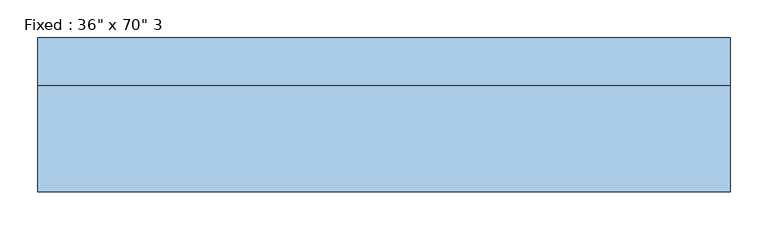
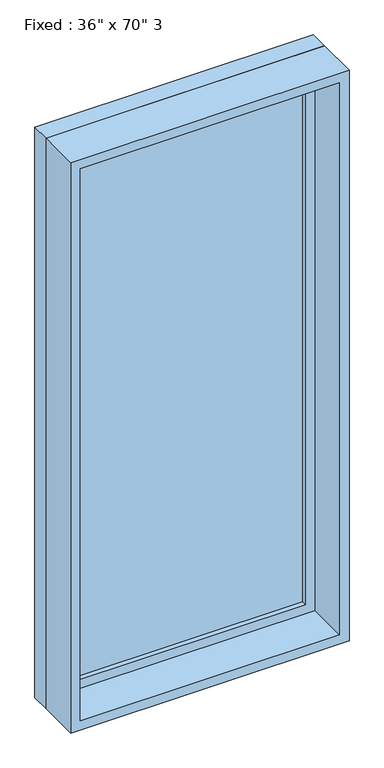
"""IFC4 building model written with IfcOpenShell, lengths in millimetres: window geometry."""

from ifc_helpers import new_model, si_unit, frame, origin, place, context, project, spatial, polyline, outline, extrude, source, transform, mapped, element, save


def window_b1f9900c(model_context):
    return source(origin(), model_context, "Body", "SweptSolid", [
        extrude(outline(polyline([(355.6, 53.975), (-431.8, 53.975), (-431.8, 66.675), (355.6, 66.675), (355.6, 53.975)])), frame((0.0, 0.0, 368.3), z_axis=(0.0, 0.0, 1.0), x_axis=(1.0, 0.0, 0.0)), (0.0, 0.0, 1.0), 1854.2),
        extrude(outline(polyline([(2266.95, -476.25), (323.85, -476.25), (323.85, 400.05), (2266.95, 400.05), (2266.95, -476.25)]), holes=[polyline([(2222.5, -431.8), (2222.5, 355.6), (368.3, 355.6), (368.3, -431.8), (2222.5, -431.8)])]), frame((0.0, 38.1, 0.0), z_axis=(0.0, 1.0, 0.0), x_axis=(0.0, 0.0, 1.0)), (0.0, 0.0, 1.0), 44.45),
        extrude(outline(polyline([(2286.0, -495.3), (304.8, -495.3), (304.8, 419.1), (2286.0, 419.1), (2286.0, -495.3)]), holes=[polyline([(2254.25, -463.55), (2254.25, 387.35), (336.55, 387.35), (336.55, -463.55), (2254.25, -463.55)])]), frame((0.0, -101.6, 0.0), z_axis=(0.0, 1.0, 0.0), x_axis=(0.0, 0.0, 1.0)), (0.0, 0.0, 1.0), 139.7),
        extrude(outline(polyline([(2286.0, 419.1), (2286.0, -495.3), (304.8, -495.3), (304.8, 419.1), (2286.0, 419.1)]), holes=[polyline([(2266.95, 400.05), (323.85, 400.05), (323.85, -476.25), (2266.95, -476.25), (2266.95, 400.05)])]), frame((0.0, 38.1, 0.0), z_axis=(0.0, 1.0, 0.0), x_axis=(0.0, 0.0, 1.0)), (0.0, 0.0, 1.0), 63.5),
    ])


if __name__ == "__main__":
    model = new_model("IFC4")
    model_context = context("Model", 3, world=origin())
    ifc_project = project(units=[si_unit("LENGTHUNIT", "METRE", prefix="MILLI")], contexts=[model_context])
    site = spatial("IfcSite", under=ifc_project)
    building = spatial("IfcBuilding", under=site)
    placement = place(None, origin())
    window_shape = window_b1f9900c(model_context)
    element("IfcWindow", 1, ObjectType="Fixed : 36\" x 70\" 3", at=placement, inside=building, context=model_context, shape_type="MappedRepresentation", body=[
        mapped(window_shape, transform((0.0, 0.0, 0.0), x_axis=(1.0, 0.0, 0.0), y_axis=(0.0, 1.0, 0.0), z_axis=(0.0, 0.0, 1.0))),
    ])
    save(model, "model.ifc")
